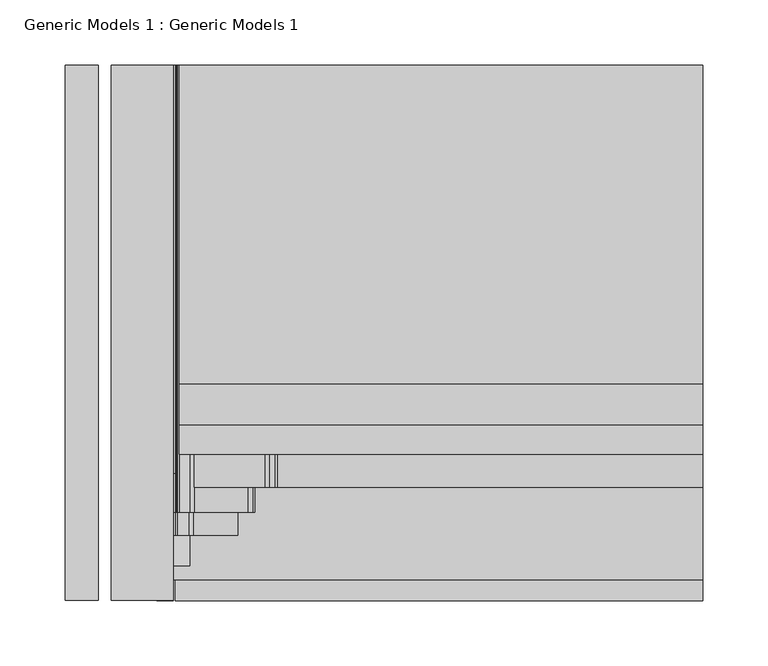
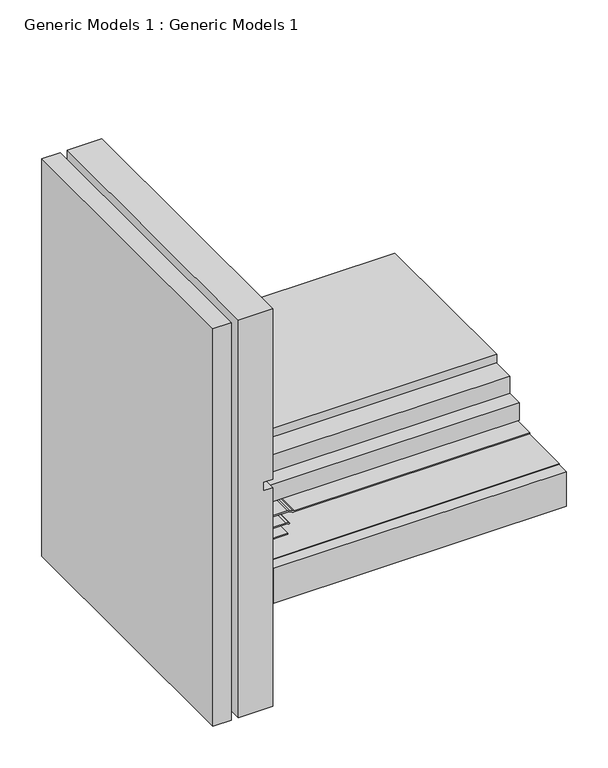
"""IFC4 building model written with IfcOpenShell, lengths in millimetres: proxy geometry, Generic Models 1 : Generic Models 1."""

from ifc_helpers import new_model, si_unit, point, frame, frame_2d, origin, place, context, project, spatial, polyline, circle_curve, trimmed, segment, composite_curve, outline, extrude, source, transform, mapped, element, save


def generic_models_1_generic_models_1_819a3b75(model_context):
    return source(origin(), model_context, "Body", "SweptSolid", [
        extrude(outline(composite_curve([segment(trimmed(circle_curve(frame_2d((314.9331665, 93.1571655)), 11.3916833), [point((307.975, 84.1375))], [point((319.0875, 82.55))], True, "CARTESIAN"), True, "CONTINUOUS"), segment(polyline([(319.0875, 82.55), (319.0875, 74.6018356)]), True, "CONTINUOUS"), segment(trimmed(circle_curve(frame_2d((313.0762224, 76.9932789)), 6.4695023), [point((319.0875, 74.6018356))], [point((307.975, 73.0143356))], False, "CARTESIAN"), True, "CONTINUOUS"), segment(polyline([(307.975, 73.0143356), (307.975, 84.1375)]), True, "CONTINUOUS")], self_intersect=False)), frame((0.0, 81.7939129, 0.0), z_axis=(0.0, 1.0, 0.0), x_axis=(0.0, 0.0, 1.0)), (0.0, 0.0, 1.0), 312.053026),
        extrude(outline(polyline([(87.3125, 393.8469389), (487.9169046, 393.8469389), (487.9169046, 118.6785479), (87.3125, 118.6785479), (87.3125, 393.8469389)])), frame((0.0, 0.0, 220.6625), z_axis=(0.0, 0.0, 1.0), x_axis=(1.0, 0.0, 0.0)), (0.0, 0.0, 1.0), 25.4),
        extrude(outline(composite_curve([segment(polyline([(195.2625, 487.9169046), (220.6625, 487.9169046), (220.6625, 87.3125), (206.4878202, 87.3125)]), True, "CONTINUOUS"), segment(trimmed(circle_curve(frame_2d((206.4878202, 90.4875)), 3.175), [point((206.4878202, 87.3125))], [point((204.2427561, 88.242436))], False, "CARTESIAN"), True, "CONTINUOUS"), segment(polyline([(204.2427561, 88.242436), (196.192436, 96.2927561)]), True, "CONTINUOUS"), segment(trimmed(circle_curve(frame_2d((198.4375, 98.5378202)), 3.175), [point((196.192436, 96.2927561))], [point((195.2625, 98.5378202))], False, "CARTESIAN"), True, "CONTINUOUS"), segment(polyline([(195.2625, 98.5378202), (195.2625, 487.9169046)]), True, "CONTINUOUS")], self_intersect=False)), frame((0.0, 96.3215375, 0.0), z_axis=(0.0, 1.0, 0.0), x_axis=(0.0, 0.0, 1.0)), (0.0, 0.0, 1.0), 297.5254014),
        extrude(outline(polyline([(87.3125, 393.8469389), (487.9169046, 393.8469389), (487.9169046, 150.2421927), (87.3125, 150.2421927), (87.3125, 393.8469389)])), frame((0.0, 0.0, 246.0625), z_axis=(0.0, 0.0, 1.0), x_axis=(1.0, 0.0, 0.0)), (0.0, 0.0, 1.0), 12.7),
        extrude(outline(polyline([(84.1375, 261.3017557), (487.9169046, 261.3017557), (487.9169046, -15.8013273), (84.1375, -15.8013273), (84.1375, 261.3017557)])), frame((0.0, 0.0, 137.31875), z_axis=(0.0, 0.0, 1.0), x_axis=(1.0, 0.0, 0.0)), (0.0, 0.0, 1.0), 50.8),
        extrude(outline(polyline([(82.55, 393.8469389), (487.9169046, 393.8469389), (487.9169046, 0.0), (82.55, 0.0), (82.55, 393.8469389)])), frame((0.0, 0.0, 188.9125), z_axis=(0.0, 0.0, 1.0), x_axis=(1.0, 0.0, 0.0)), (0.0, 0.0, 1.0), 0.79375),
        extrude(outline(composite_curve([segment(trimmed(circle_curve(frame_2d((187.325, 152.7258878)), 6.35), [point((193.675, 152.7258878))], [point((193.0800544, 155.4095137))], True, "CARTESIAN"), True, "CONTINUOUS"), segment(polyline([(193.0800544, 155.4095137), (191.0949456, 159.6665935)]), True, "CONTINUOUS"), segment(trimmed(circle_curve(frame_2d((196.85, 162.3502195)), 6.35), [point((191.0949456, 159.6665935))], [point((190.5, 162.3502195))], False, "CARTESIAN"), True, "CONTINUOUS"), segment(polyline([(190.5, 162.3502195), (190.5, 487.9169046), (192.0875, 487.9169046), (192.0875, 162.3502195)]), True, "CONTINUOUS"), segment(trimmed(circle_curve(frame_2d((196.85, 162.3502195)), 4.7625), [point((192.0875, 162.3502195))], [point((192.5337092, 160.3375))], True, "CARTESIAN"), True, "CONTINUOUS"), segment(polyline([(192.5337092, 160.3375), (194.5188181, 156.0804202)]), True, "CONTINUOUS"), segment(trimmed(circle_curve(frame_2d((187.325, 152.7258878)), 7.9375), [point((194.5188181, 156.0804202))], [point((195.2625, 152.7258878))], False, "CARTESIAN"), True, "CONTINUOUS"), segment(polyline([(195.2625, 152.7258878), (195.2625, 98.5378202), (193.675, 98.5378202), (193.675, 152.7258878)]), True, "CONTINUOUS")], self_intersect=False)), frame((0.0, 71.0790063, 0.0), z_axis=(0.0, 1.0, 0.0), x_axis=(0.0, 0.0, 1.0)), (0.0, 0.0, 1.0), 322.7679326),
        extrude(outline(composite_curve([segment(trimmed(circle_curve(frame_2d((236.8806049, 88.9)), 6.35), [point((236.8806049, 82.55))], [point((233.8064244, 83.34375))], False, "CARTESIAN"), True, "CONTINUOUS"), segment(trimmed(circle_curve(frame_2d((230.7322439, 77.7875)), 6.35), [point((233.8064244, 83.34375))], [point((230.7322439, 84.1375))], True, "CARTESIAN"), True, "CONTINUOUS"), segment(polyline([(230.7322439, 84.1375), (206.4878202, 84.1375)]), True, "CONTINUOUS"), segment(trimmed(circle_curve(frame_2d((206.4878202, 90.4875)), 6.35), [point((206.4878202, 84.1375))], [point((201.9976921, 85.9973719))], False, "CARTESIAN"), True, "CONTINUOUS"), segment(polyline([(201.9976921, 85.9973719), (193.9473719, 94.0476921)]), True, "CONTINUOUS"), segment(trimmed(circle_curve(frame_2d((198.4375, 98.5378202)), 6.35), [point((193.9473719, 94.0476921))], [point((192.0875, 98.5378202))], False, "CARTESIAN"), True, "CONTINUOUS"), segment(polyline([(192.0875, 98.5378202), (192.0875, 139.6852414)]), True, "CONTINUOUS"), segment(trimmed(circle_curve(frame_2d((185.7375, 139.6852414)), 6.35), [point((192.0875, 139.6852414))], [point((191.2367613, 142.8602414))], True, "CARTESIAN"), True, "CONTINUOUS"), segment(polyline([(191.2367613, 142.8602414), (190.5, 144.1363494), (191.8748153, 144.9300994), (192.6115766, 143.6539914)]), True, "CONTINUOUS"), segment(trimmed(circle_curve(frame_2d((185.7375, 139.6852414)), 7.9375), [point((192.6115766, 143.6539914))], [point((193.675, 139.6852414))], False, "CARTESIAN"), True, "CONTINUOUS"), segment(polyline([(193.675, 139.6852414), (193.675, 98.5378202)]), True, "CONTINUOUS"), segment(trimmed(circle_curve(frame_2d((198.4375, 98.5378202)), 4.7625), [point((193.675, 98.5378202))], [point((195.069904, 95.1702241))], True, "CARTESIAN"), True, "CONTINUOUS"), segment(polyline([(195.069904, 95.1702241), (203.1202241, 87.119904)]), True, "CONTINUOUS"), segment(trimmed(circle_curve(frame_2d((206.4878202, 90.4875)), 4.7625), [point((203.1202241, 87.119904))], [point((206.4878202, 85.725))], True, "CARTESIAN"), True, "CONTINUOUS"), segment(polyline([(206.4878202, 85.725), (230.7322439, 85.725)]), True, "CONTINUOUS"), segment(trimmed(circle_curve(frame_2d((230.7322439, 77.7875)), 7.9375), [point((230.7322439, 85.725))], [point((234.5749695, 84.7328125))], False, "CARTESIAN"), True, "CONTINUOUS"), segment(trimmed(circle_curve(frame_2d((236.8806049, 88.9)), 4.7625), [point((234.5749695, 84.7328125))], [point((236.8806049, 84.1375))], True, "CARTESIAN"), True, "CONTINUOUS"), segment(polyline([(236.8806049, 84.1375), (307.975, 84.1375), (307.975, 71.2299738), (306.3875, 71.2299738), (306.3875, 82.55), (236.8806049, 82.55)]), True, "CONTINUOUS")], self_intersect=False)), frame((0.0, 51.9377832, 0.0), z_axis=(0.0, 1.0, 0.0), x_axis=(0.0, 0.0, 1.0)), (0.0, 0.0, 1.0), 341.9091557),
        extrude(outline(composite_curve([segment(trimmed(circle_curve(frame_2d((205.8302561, 88.9)), 6.35), [point((205.8302561, 82.55))], [point((201.3401281, 84.4098719))], False, "CARTESIAN"), True, "CONTINUOUS"), segment(polyline([(201.3401281, 84.4098719), (192.3598719, 93.3901281)]), True, "CONTINUOUS"), segment(trimmed(circle_curve(frame_2d((196.85, 97.8802561)), 6.35), [point((192.3598719, 93.3901281))], [point((190.5, 97.8802561))], False, "CARTESIAN"), True, "CONTINUOUS"), segment(polyline([(190.5, 97.8802561), (190.5, 132.159375), (192.0875, 132.159375), (192.0875, 97.8802561)]), True, "CONTINUOUS"), segment(trimmed(circle_curve(frame_2d((196.85, 97.8802561)), 4.7625), [point((192.0875, 97.8802561))], [point((193.482404, 94.5126601))], True, "CARTESIAN"), True, "CONTINUOUS"), segment(polyline([(193.482404, 94.5126601), (202.4626601, 85.532404)]), True, "CONTINUOUS"), segment(trimmed(circle_curve(frame_2d((205.8302561, 88.9)), 4.7625), [point((202.4626601, 85.532404))], [point((205.8302561, 84.1375))], True, "CARTESIAN"), True, "CONTINUOUS"), segment(polyline([(205.8302561, 84.1375), (228.6, 84.1375), (228.6, 82.55), (205.8302561, 82.55)]), True, "CONTINUOUS")], self_intersect=False)), frame((0.0, 34.1351637, 0.0), z_axis=(0.0, 1.0, 0.0), x_axis=(0.0, 0.0, 1.0)), (0.0, 0.0, 1.0), 359.7117752),
        extrude(outline(polyline([(203.2, 82.55), (190.5, 82.55), (190.5, 95.25), (203.2, 82.55)])), frame((0.0, 10.9586873, 0.0), z_axis=(0.0, 1.0, 0.0), x_axis=(0.0, 0.0, 1.0)), (0.0, 0.0, 1.0), 382.8882516),
        extrude(outline(polyline([(25.4, -15.8013273), (0.0, -15.8013273), (0.0, 393.8469389), (25.4, 393.8469389), (25.4, -15.8013273)])), frame((0.0, 0.0, -13.1245996), z_axis=(0.0, 0.0, 1.0), x_axis=(1.0, 0.0, 0.0)), (0.0, 0.0, 1.0), 580.6869312),
        extrude(outline(polyline([(319.0875, 82.55), (567.5623316, 82.55), (567.5623316, 35.0378202), (-13.1245996, 35.0378202), (-13.1245996, 82.55), (306.3875, 82.55), (306.3875, 69.85), (319.0875, 69.85), (319.0875, 82.55)])), frame((0.0, -15.8013273, 0.0), z_axis=(0.0, 1.0, 0.0), x_axis=(0.0, 0.0, 1.0)), (0.0, 0.0, 1.0), 409.6482663),
    ])


if __name__ == "__main__":
    model = new_model("IFC4")
    model_context = context("Model", 3, world=origin())
    ifc_project = project(units=[si_unit("LENGTHUNIT", "METRE", prefix="MILLI")], contexts=[model_context])
    site = spatial("IfcSite", under=ifc_project)
    building = spatial("IfcBuilding", under=site)
    placement = place(None, origin())
    generic_models_1_generic_models_1_shape = generic_models_1_generic_models_1_819a3b75(model_context)
    element("IfcBuildingElementProxy", 1, Name="Generic Models 1 : Generic Models 1", ObjectType="Generic Models 1 : Generic Models 1", at=placement, inside=building, context=model_context, shape_type="MappedRepresentation", body=[
        mapped(generic_models_1_generic_models_1_shape, transform((0.0, 0.0, 0.0), x_axis=(1.0, 0.0, 0.0), y_axis=(0.0, 1.0, 0.0), z_axis=(0.0, 0.0, 1.0))),
    ])
    save(model, "model.ifc")
